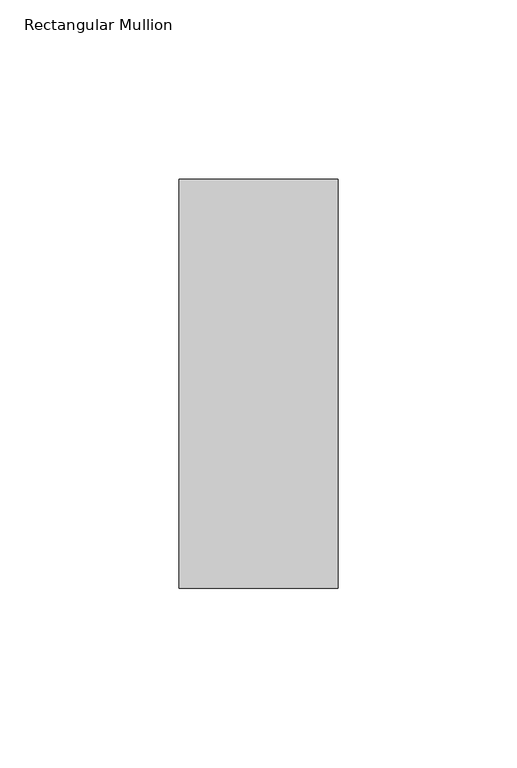
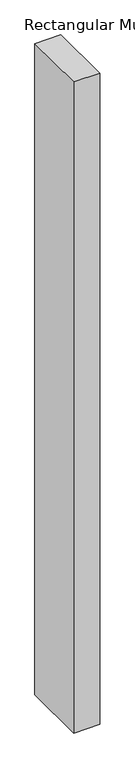
"""IFC4 building model written with IfcOpenShell, lengths in millimetres: member geometry, Rectangular Mullion."""

from ifc_helpers import new_model, si_unit, frame, origin, place, context, project, spatial, polyline, outline, extrude, source, transform, mapped, element, save


def rectangular_mullion_a404e3eb(model_context):
    return source(origin(), model_context, "Body", "SweptSolid", [
        extrude(outline(polyline([(22.225, 57.1464454), (22.225, -57.1475778), (-22.225, -57.1475778), (-22.225, 57.1464454), (22.225, 57.1464454)])), frame((0.0, 0.0, -1174.75), z_axis=(0.0, 0.0, 1.0), x_axis=(1.0, 0.0, 0.0)), (0.0, 0.0, 1.0), 1174.75),
    ])


if __name__ == "__main__":
    model = new_model("IFC4")
    model_context = context("Model", 3, world=origin())
    ifc_project = project(units=[si_unit("LENGTHUNIT", "METRE", prefix="MILLI")], contexts=[model_context])
    site = spatial("IfcSite", under=ifc_project)
    building = spatial("IfcBuilding", under=site)
    placement = place(None, origin())
    rectangular_mullion_shape = rectangular_mullion_a404e3eb(model_context)
    element("IfcMember", 1, ObjectType="Rectangular Mullion", at=placement, inside=building, context=model_context, shape_type="MappedRepresentation", body=[
        mapped(rectangular_mullion_shape, transform((0.0, 0.0, 0.0), x_axis=(1.0, 0.0, 0.0), y_axis=(0.0, 1.0, 0.0), z_axis=(0.0, 0.0, 1.0))),
    ])
    save(model, "model.ifc")
